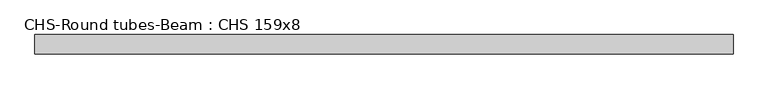
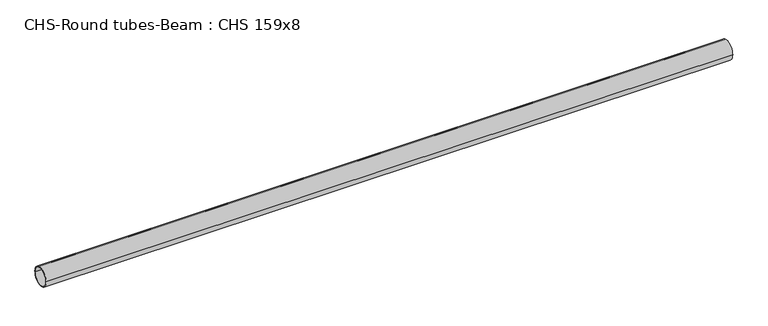
"""IFC4 building model written with IfcOpenShell, lengths in millimetres: beam geometry, CHS-Round tubes-Beam : CHS 159x8."""

from ifc_helpers import new_model, si_unit, point, frame, origin, origin_2d, place, context, project, spatial, circle_curve, trimmed, segment, composite_curve, outline, extrude, source, transform, mapped, element, save


def chs_round_tubes_beam_chs_159x8_b19c3763(model_context):
    return source(origin(), model_context, "Body", "SweptSolid", [
        extrude(outline(composite_curve([segment(trimmed(circle_curve(origin_2d(), 79.5), [point((79.5, 0.0))], [point((-79.5, 0.0))], False, "CARTESIAN"), True, "CONTINUOUS"), segment(trimmed(circle_curve(origin_2d(), 79.5), [point((-79.5, 0.0))], [point((79.5, 0.0))], False, "CARTESIAN"), True, "CONTINUOUS")], self_intersect=False), holes=[composite_curve([segment(trimmed(circle_curve(origin_2d(), 71.5), [point((71.5, 0.0))], [point((-71.5, 0.0))], True, "CARTESIAN"), True, "CONTINUOUS"), segment(trimmed(circle_curve(origin_2d(), 71.5), [point((-71.5, 0.0))], [point((71.5, 0.0))], True, "CARTESIAN"), True, "CONTINUOUS")], self_intersect=False)]), frame((-2725.2691105, 0.0, 0.0), z_axis=(1.0, 0.0, 0.0), x_axis=(0.0, 1.0, 0.0)), (0.0, 0.0, 1.0), 5692.1061534),
    ])


if __name__ == "__main__":
    model = new_model("IFC4")
    model_context = context("Model", 3, world=origin())
    ifc_project = project(units=[si_unit("LENGTHUNIT", "METRE", prefix="MILLI")], contexts=[model_context])
    site = spatial("IfcSite", under=ifc_project)
    building = spatial("IfcBuilding", under=site)
    placement = place(None, origin())
    chs_round_tubes_beam_chs_159x8_shape = chs_round_tubes_beam_chs_159x8_b19c3763(model_context)
    element("IfcBeam", 1, ObjectType="CHS-Round tubes-Beam : CHS 159x8", at=placement, inside=building, context=model_context, shape_type="MappedRepresentation", body=[
        mapped(chs_round_tubes_beam_chs_159x8_shape, transform((0.0, 0.0, 0.0), x_axis=(1.0, 0.0, 0.0), y_axis=(0.0, 1.0, 0.0), z_axis=(0.0, 0.0, 1.0))),
    ])
    save(model, "model.ifc")
